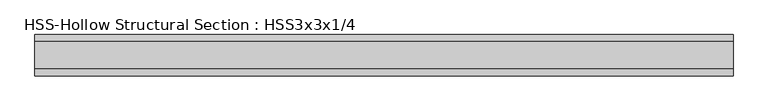
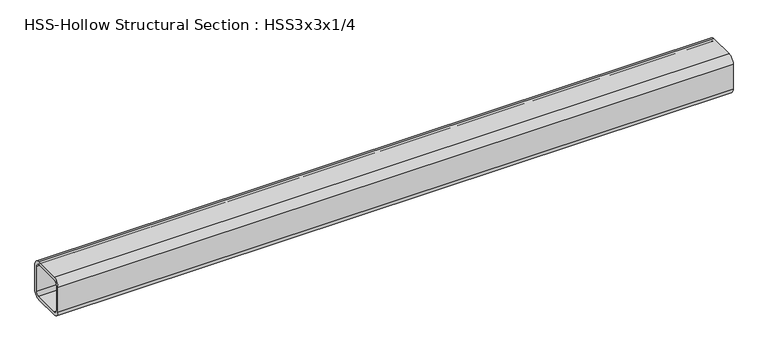
"""IFC4 building model written with IfcOpenShell, lengths in millimetres: beam geometry, HSS-Hollow Structural Section : HSS3x3x1/4."""

from ifc_helpers import new_model, si_unit, point, frame, frame_2d, origin, place, context, project, spatial, polyline, circle_curve, trimmed, segment, composite_curve, outline, extrude, source, transform, mapped, element, save


def hss_hollow_structural_section_hss3x3x1_4_65251c80(model_context):
    return source(origin(), model_context, "Body", "SweptSolid", [
        extrude(outline(composite_curve([segment(trimmed(circle_curve(frame_2d((-25.4, 25.4)), 12.7), [point((-38.1, 25.4))], [point((-25.4, 38.1))], False, "CARTESIAN"), True, "CONTINUOUS"), segment(polyline([(-25.4, 38.1), (25.4, 38.1)]), True, "CONTINUOUS"), segment(trimmed(circle_curve(frame_2d((25.4, 25.4)), 12.7), [point((25.4, 38.1))], [point((38.1, 25.4))], False, "CARTESIAN"), True, "CONTINUOUS"), segment(polyline([(38.1, 25.4), (38.1, -25.4)]), True, "CONTINUOUS"), segment(trimmed(circle_curve(frame_2d((25.4, -25.4)), 12.7), [point((38.1, -25.4))], [point((25.4, -38.1))], False, "CARTESIAN"), True, "CONTINUOUS"), segment(polyline([(25.4, -38.1), (-25.4, -38.1)]), True, "CONTINUOUS"), segment(trimmed(circle_curve(frame_2d((-25.4, -25.4)), 12.7), [point((-25.4, -38.1))], [point((-38.1, -25.4))], False, "CARTESIAN"), True, "CONTINUOUS"), segment(polyline([(-38.1, -25.4), (-38.1, 25.4)]), True, "CONTINUOUS")], self_intersect=False), holes=[composite_curve([segment(polyline([(25.4, 31.75), (-25.4, 31.75)]), True, "CONTINUOUS"), segment(trimmed(circle_curve(frame_2d((-25.4, 25.4)), 6.35), [point((-25.4, 31.75))], [point((-31.75, 25.4))], True, "CARTESIAN"), True, "CONTINUOUS"), segment(polyline([(-31.75, 25.4), (-31.75, -25.4)]), True, "CONTINUOUS"), segment(trimmed(circle_curve(frame_2d((-25.4, -25.4)), 6.35), [point((-31.75, -25.4))], [point((-25.4, -31.75))], True, "CARTESIAN"), True, "CONTINUOUS"), segment(polyline([(-25.4, -31.75), (25.4, -31.75)]), True, "CONTINUOUS"), segment(trimmed(circle_curve(frame_2d((25.4, -25.4)), 6.35), [point((25.4, -31.75))], [point((31.75, -25.4))], True, "CARTESIAN"), True, "CONTINUOUS"), segment(polyline([(31.75, -25.4), (31.75, 25.4)]), True, "CONTINUOUS"), segment(trimmed(circle_curve(frame_2d((25.4, 25.4)), 6.35), [point((31.75, 25.4))], [point((25.4, 31.75))], True, "CARTESIAN"), True, "CONTINUOUS")], self_intersect=False)]), frame((-622.3, 0.0, 0.0), z_axis=(1.0, 0.0, 0.0), x_axis=(0.0, 1.0, 0.0)), (0.0, 0.0, 1.0), 1289.05),
    ])


if __name__ == "__main__":
    model = new_model("IFC4")
    model_context = context("Model", 3, world=origin())
    ifc_project = project(units=[si_unit("LENGTHUNIT", "METRE", prefix="MILLI")], contexts=[model_context])
    site = spatial("IfcSite", under=ifc_project)
    building = spatial("IfcBuilding", under=site)
    placement = place(None, origin())
    hss_hollow_structural_section_hss3x3x1_4_shape = hss_hollow_structural_section_hss3x3x1_4_65251c80(model_context)
    element("IfcBeam", 1, ObjectType="HSS-Hollow Structural Section : HSS3x3x1/4", at=placement, inside=building, context=model_context, shape_type="MappedRepresentation", body=[
        mapped(hss_hollow_structural_section_hss3x3x1_4_shape, transform((0.0, 0.0, 0.0), x_axis=(1.0, 0.0, 0.0), y_axis=(0.0, 1.0, 0.0), z_axis=(0.0, 0.0, 1.0))),
    ])
    save(model, "model.ifc")
